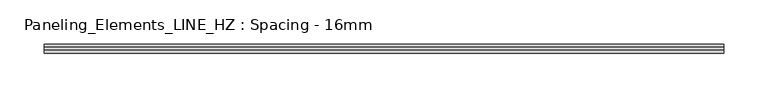
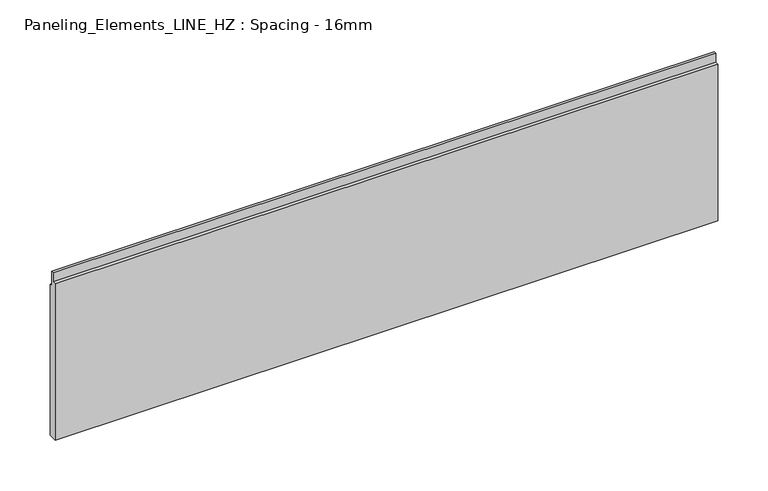
"""IFC4 building model written with IfcOpenShell, lengths in millimetres: plate geometry, Paneling_Elements_LINE_HZ : Spacing - 16mm."""

from ifc_helpers import new_model, si_unit, frame, origin, place, context, project, spatial, polyline, outline, extrude, source, transform, mapped, element, save


def paneling_elements_line_hz_spacing_16mm_a66ff5b3(model_context):
    return source(origin(), model_context, "Body", "SweptSolid", [
        extrude(outline(polyline([(5.0, 0.0), (-5.0, 0.0), (-5.0, 191.3), (-1.0, 191.3), (-1.0, 202.3), (2.0, 202.3), (2.0, 184.3), (5.0, 184.3), (5.0, 0.0)])), frame((-382.25, 0.0, 0.0), z_axis=(1.0, 0.0, 0.0), x_axis=(0.0, 1.0, 0.0)), (0.0, 0.0, 1.0), 764.5),
    ])


if __name__ == "__main__":
    model = new_model("IFC4")
    model_context = context("Model", 3, world=origin())
    ifc_project = project(units=[si_unit("LENGTHUNIT", "METRE", prefix="MILLI")], contexts=[model_context])
    site = spatial("IfcSite", under=ifc_project)
    building = spatial("IfcBuilding", under=site)
    placement = place(None, origin())
    paneling_elements_line_hz_spacing_16mm_shape = paneling_elements_line_hz_spacing_16mm_a66ff5b3(model_context)
    element("IfcPlate", 1, ObjectType="Paneling_Elements_LINE_HZ : Spacing - 16mm", at=placement, inside=building, context=model_context, shape_type="MappedRepresentation", body=[
        mapped(paneling_elements_line_hz_spacing_16mm_shape, transform((0.0, 0.0, 0.0), x_axis=(1.0, 0.0, 0.0), y_axis=(0.0, 1.0, 0.0), z_axis=(0.0, 0.0, 1.0))),
    ])
    save(model, "model.ifc")
